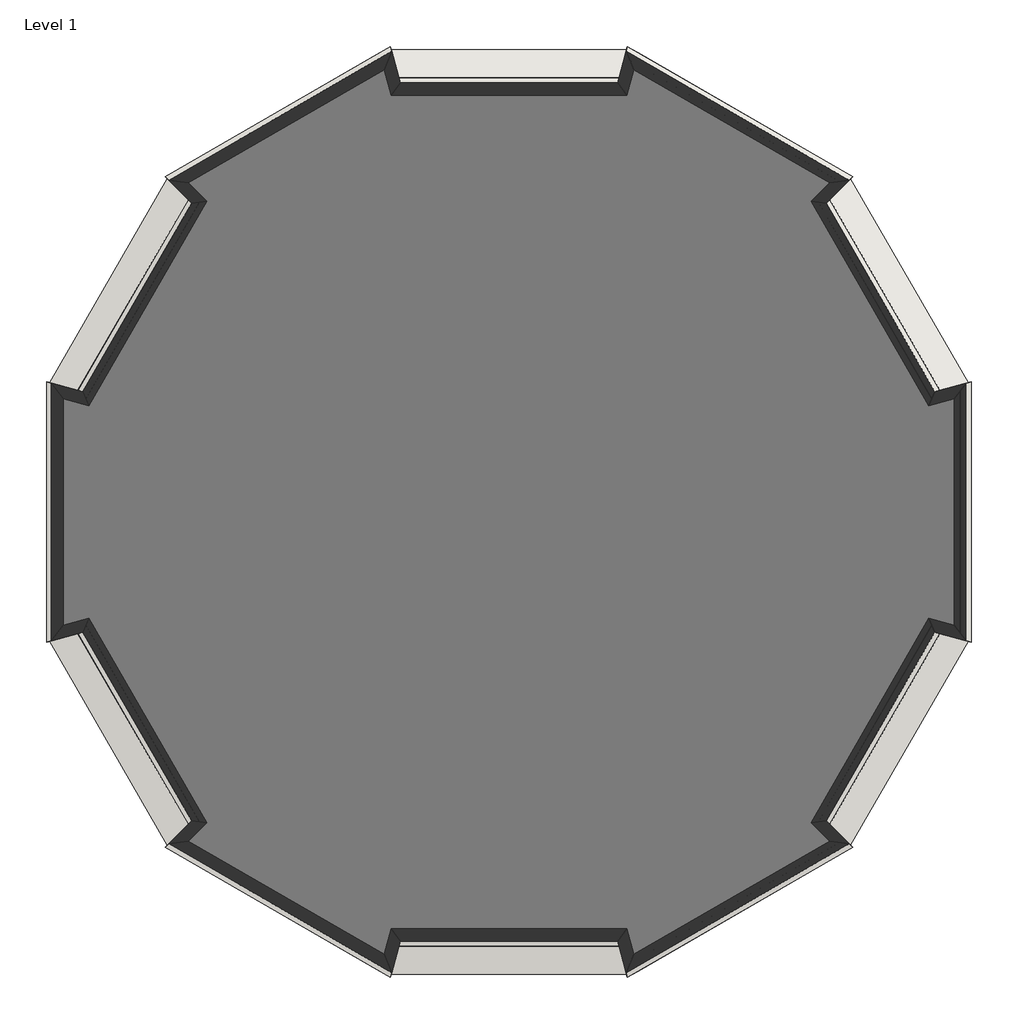
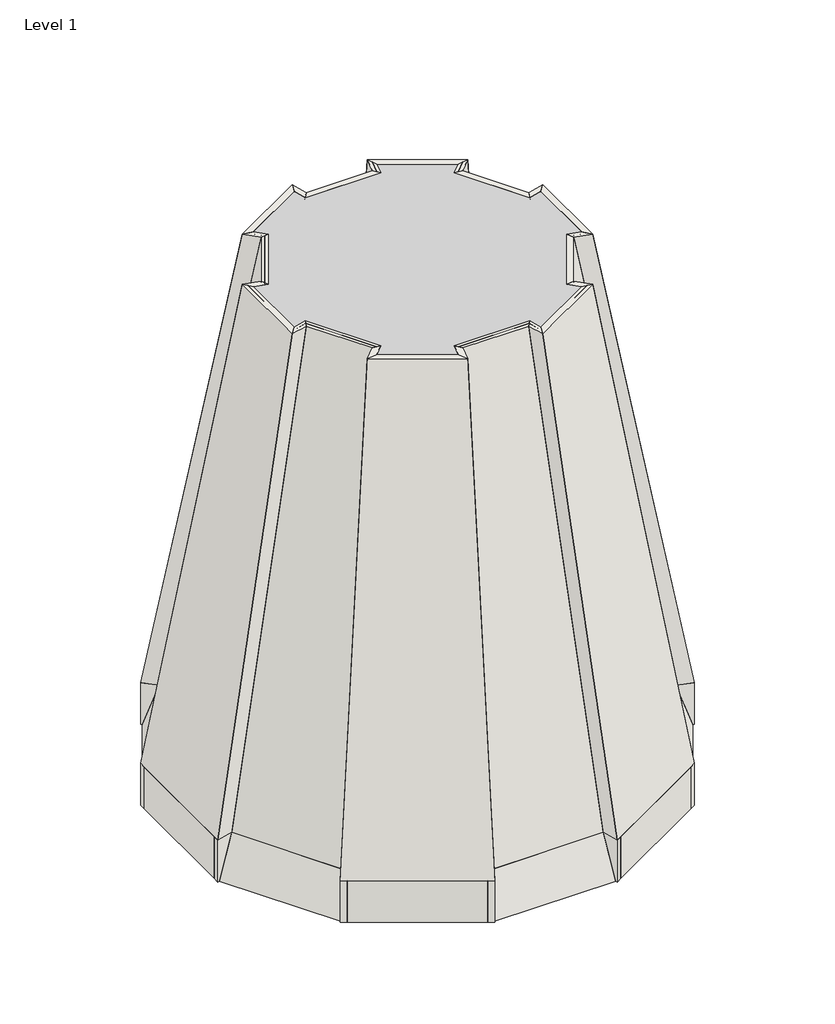
# One storey: 48 walls, 1 proxy.
"""IFC4 building model written with IfcOpenShell, lengths in millimetres."""

from ifc_helpers import new_model, si_unit, origin, place, context, project, spatial, faceted_brep, element, save

model = new_model("IFC4")

# Units and contexts
model_context = context("Model", 3, world=origin())
ifc_project = project(units=[si_unit("LENGTHUNIT", "METRE", prefix="MILLI")], contexts=[model_context])

# Site, building, storey
site = spatial("IfcSite", under=ifc_project)
building = spatial("IfcBuilding", under=site)
storey = spatial("IfcBuildingStorey", under=building, Name="Level 1", Elevation=0.0)

# Proxy
placement = place(None, origin())
element("IfcBuildingElementProxy", 1, Name="Mass 1 : Mass 1", ObjectType="Mass 1 : Mass 1", at=placement, inside=storey, context=model_context, shape_type="Brep", body=[
    faceted_brep([(6135.3954822, 11559.7954073, 914.4), (6053.7245683, 11864.5954073, 914.4), (3790.3938116, 10557.8607857, 914.4), (4013.5228978, 10334.7316995, 914.4), (2788.45919, 8212.8591151, 914.4), (2483.65919, 8294.530029, 914.4), (2483.65919, 5681.0607857, 914.4), (2788.45919, 5762.7316995, 914.4), (4013.5228978, 3640.8591151, 914.4), (3790.3938116, 3417.730029, 914.4), (6053.7245683, 2110.9954073, 914.4), (6135.3954822, 2415.7954073, 914.4), (8585.5228978, 2415.7954073, 914.4), (8667.1938116, 2110.9954073, 914.4), (10930.5245683, 3417.730029, 914.4), (10707.3954822, 3640.8591151, 914.4), (11932.45919, 5762.7316995, 914.4), (12237.25919, 5681.0607857, 914.4), (12237.25919, 8294.530029, 914.4), (11932.45919, 8212.8591151, 914.4), (10707.3954822, 10334.7316995, 914.4), (10930.5245683, 10557.8607857, 914.4), (8667.1938116, 11864.5954073, 914.4), (8585.5228978, 11559.7954073, 914.4), (6054.575307, 11861.4204073, 0.0), (8666.343073, 11861.4204073, 0.0), (8667.1938116, 11864.5954073, 0.0), (10930.5245683, 10557.8607857, 0.0), (10928.200307, 10555.5365244, 0.0), (12234.08419, 8293.6792903, 0.0), (12237.25919, 8294.530029, 0.0), (12237.25919, 5681.0607857, 0.0), (12234.08419, 5681.9115244, 0.0), (10928.200307, 3420.0542903, 0.0), (10930.5245683, 3417.730029, 0.0), (8667.1938116, 2110.9954073, 0.0), (8666.343073, 2114.1704073, 0.0), (6054.575307, 2114.1704073, 0.0), (6053.7245683, 2110.9954073, 0.0), (3790.3938116, 3417.730029, 0.0), (3792.718073, 3420.0542903, 0.0), (2486.83419, 5681.9115244, 0.0), (2483.65919, 5681.0607857, 0.0), (2483.65919, 8294.530029, 0.0), (2486.83419, 8293.6792903, 0.0), (3792.718073, 10555.5365244, 0.0), (3790.3938116, 10557.8607857, 0.0), (6053.7245683, 11864.5954073, 0.0)], [[[0, 1, 2, 3, 4, 5, 6, 7, 8, 9, 10, 11, 12, 13, 14, 15, 16, 17, 18, 19, 20, 21, 22, 23]], [[24, 25, 26, 27, 28, 29, 30, 31, 32, 33, 34, 35, 36, 37, 38, 39, 40, 41, 42, 43, 44, 45, 46, 47]], [[24, 47, 1, 0]], [[47, 46, 2, 1]], [[46, 45, 3, 2]], [[45, 44, 4, 3]], [[44, 43, 5, 4]], [[43, 42, 6, 5]], [[42, 41, 7, 6]], [[41, 40, 8, 7]], [[40, 39, 9, 8]], [[39, 38, 10, 9]], [[38, 37, 11, 10]], [[37, 36, 12, 11]], [[36, 35, 13, 12]], [[35, 34, 14, 13]], [[34, 33, 15, 14]], [[33, 32, 16, 15]], [[32, 31, 17, 16]], [[31, 30, 18, 17]], [[30, 29, 19, 18]], [[29, 28, 20, 19]], [[28, 27, 21, 20]], [[27, 26, 22, 21]], [[26, 25, 23, 22]], [[25, 24, 0, 23]]]),
    faceted_brep([(4617.25919, 7722.833632, 11080.0711654), (4312.45919, 7804.5045458, 11080.0711654), (4312.45919, 6171.0862688, 11080.0711654), (4617.25919, 6252.7571826, 11080.0711654), (5352.2974147, 4979.633632, 11080.0711654), (5129.1683285, 4756.5045458, 11080.0711654), (6543.7500515, 3939.7954073, 11080.0711654), (6625.4209653, 4244.5954073, 11080.0711654), (8095.4974147, 4244.5954073, 11080.0711654), (8177.1683285, 3939.7954073, 11080.0711654), (9591.7500515, 4756.5045458, 11080.0711654), (9368.6209653, 4979.633632, 11080.0711654), (10103.65919, 6252.7571826, 11080.0711654), (10408.45919, 6171.0862688, 11080.0711654), (10408.45919, 7804.5045458, 11080.0711654), (10103.65919, 7722.833632, 11080.0711654), (9368.6209653, 8995.9571826, 11080.0711654), (9591.7500515, 9219.0862688, 11080.0711654), (8177.1683285, 10035.7954073, 11080.0711654), (8095.4974147, 9730.9954073, 11080.0711654), (6625.4209653, 9730.9954073, 11080.0711654), (6543.7500515, 10035.7954073, 11080.0711654), (5129.1683285, 9219.0862688, 11080.0711654), (5352.2974147, 8995.9571826, 11080.0711654), (2788.45919, 8212.8591151, 914.4), (4013.5228978, 10334.7316995, 914.4), (3790.3938116, 10557.8607857, 914.4), (6053.7245683, 11864.5954073, 914.4), (6135.3954822, 11559.7954073, 914.4), (8585.5228978, 11559.7954073, 914.4), (8667.1938116, 11864.5954073, 914.4), (10930.5245683, 10557.8607857, 914.4), (10707.3954822, 10334.7316995, 914.4), (11932.45919, 8212.8591151, 914.4), (12237.25919, 8294.530029, 914.4), (12237.25919, 5681.0607857, 914.4), (11932.45919, 5762.7316995, 914.4), (10707.3954822, 3640.8591151, 914.4), (10930.5245683, 3417.730029, 914.4), (8667.1938116, 2110.9954073, 914.4), (8585.5228978, 2415.7954073, 914.4), (6135.3954822, 2415.7954073, 914.4), (6053.7245683, 2110.9954073, 914.4), (3790.3938116, 3417.730029, 914.4), (4013.5228978, 3640.8591151, 914.4), (2788.45919, 5762.7316995, 914.4), (2483.65919, 5681.0607857, 914.4), (2483.65919, 8294.530029, 914.4)], [[[0, 1, 2, 3, 4, 5, 6, 7, 8, 9, 10, 11, 12, 13, 14, 15, 16, 17, 18, 19, 20, 21, 22, 23]], [[24, 25, 26, 27, 28, 29, 30, 31, 32, 33, 34, 35, 36, 37, 38, 39, 40, 41, 42, 43, 44, 45, 46, 47]], [[24, 47, 1, 0]], [[47, 46, 2, 1]], [[46, 45, 3, 2]], [[45, 44, 4, 3]], [[44, 43, 5, 4]], [[43, 42, 6, 5]], [[42, 41, 7, 6]], [[41, 40, 8, 7]], [[40, 39, 9, 8]], [[39, 38, 10, 9]], [[38, 37, 11, 10]], [[37, 36, 12, 11]], [[36, 35, 13, 12]], [[35, 34, 14, 13]], [[34, 33, 15, 14]], [[33, 32, 16, 15]], [[32, 31, 17, 16]], [[31, 30, 18, 17]], [[30, 29, 19, 18]], [[29, 28, 20, 19]], [[28, 27, 21, 20]], [[27, 26, 22, 21]], [[26, 25, 23, 22]], [[25, 24, 0, 23]]]),
])

# Walls
element("IfcWall", 2, ObjectType="Generic - 5\"", at=placement, inside=storey, context=model_context, shape_type="Brep", body=[
    faceted_brep([(6093.6423371, 11960.965426, 0.0), (6093.6423371, 11960.965426, 914.4), (6183.2189682, 11626.6608878, 914.4), (6102.398793, 11928.2858878, 0.0), (5979.7772521, 11895.2253886, 0.0), (6006.7518211, 11794.5549268, 0.0), (6087.5719962, 11492.9299268, 914.4), (6013.8067996, 11768.2253886, 914.4), (5979.7772521, 11895.2253886, 914.4)], [[[0, 1, 2, 3]], [[4, 5, 6, 7, 8]], [[2, 1, 8, 7, 6]], [[0, 3, 5, 4]], [[1, 0, 4, 8]], [[3, 2, 6, 5]]]),
])
element("IfcWall", 3, ObjectType="Generic - 5\"", at=placement, inside=storey, context=model_context, shape_type="Brep", body=[
    faceted_brep([(5979.7772521, 11895.2253886, 0.0), (3800.8411278, 10637.2160307, 0.0), (3800.8411278, 10637.2160307, 914.4), (5979.7772521, 11895.2253886, 914.4), (6013.8067996, 11768.2253886, 0.0), (6013.8067996, 11768.2253886, 914.4), (3893.8115804, 10544.2455781, 914.4), (3893.8115804, 10544.2455781, 0.0), (6006.7518211, 11794.5549268, 0.0), (3874.5370207, 10563.5201379, 0.0)], [[[0, 1, 2, 3]], [[4, 5, 6, 7]], [[1, 0, 8, 4, 7, 9]], [[3, 2, 6, 5]], [[0, 3, 5, 4, 8]], [[2, 1, 9, 7, 6]]]),
])
element("IfcWall", 4, ObjectType="Generic - 5\"", at=placement, inside=storey, context=model_context, shape_type="Brep", body=[
    faceted_brep([(3710.8991252, 10547.5529109, 0.0), (3931.7039501, 10326.748086, 914.4), (3686.9760429, 10571.4759932, 914.4), (3686.9760429, 10571.4759932, 0.0), (3874.5370207, 10563.5201379, 0.0), (3800.8411278, 10637.2160307, 0.0), (3800.8411278, 10637.2160307, 914.4), (3893.8115804, 10544.2455781, 914.4), (4095.3418455, 10342.715313, 914.4)], [[[0, 1, 2, 3]], [[4, 5, 6, 7, 8]], [[2, 1, 8, 7, 6]], [[0, 3, 5, 4]], [[3, 2, 6, 5]], [[1, 0, 4, 8]]]),
])
element("IfcWall", 5, ObjectType="Generic - 5\"", at=placement, inside=storey, context=model_context, shape_type="Brep", body=[
    faceted_brep([(2420.15919, 8377.2848401, 0.0), (2420.15919, 8377.2848401, 914.4), (2754.4637282, 8287.7082091, 914.4), (2452.8387282, 8368.5283843, 0.0), (2420.15919, 8245.8047652, 0.0), (2520.8296517, 8218.8301963, 0.0), (2822.4546517, 8138.0100211, 914.4), (2547.15919, 8211.7752178, 914.4), (2420.15919, 8245.8047652, 914.4)], [[[0, 1, 2, 3]], [[4, 5, 6, 7, 8]], [[2, 1, 8, 7, 6]], [[0, 3, 5, 4]], [[1, 0, 4, 8]], [[3, 2, 6, 5]]]),
])
element("IfcWall", 6, ObjectType="Generic - 5\"", at=placement, inside=storey, context=model_context, shape_type="Brep", body=[
    faceted_brep([(2420.15919, 8245.8047652, 0.0), (2420.15919, 5729.7860494, 0.0), (2420.15919, 5729.7860494, 914.4), (2420.15919, 8245.8047652, 914.4), (2547.15919, 8211.7752178, 0.0), (2547.15919, 8211.7752178, 914.4), (2547.15919, 5763.8155968, 914.4), (2547.15919, 5763.8155968, 0.0), (2520.8296517, 8218.8301963, 0.0), (2520.8296517, 5756.7606183, 0.0)], [[[0, 1, 2, 3]], [[4, 5, 6, 7]], [[1, 0, 8, 4, 7, 9]], [[3, 2, 6, 5]], [[0, 3, 5, 4, 8]], [[2, 1, 9, 7, 6]]]),
])
element("IfcWall", 7, ObjectType="Generic - 5\"", at=placement, inside=storey, context=model_context, shape_type="Brep", body=[
    faceted_brep([(2452.8387282, 5607.0624304, 0.0), (2754.4637282, 5687.8826055, 914.4), (2420.15919, 5598.3059745, 914.4), (2420.15919, 5598.3059745, 0.0), (2520.8296517, 5756.7606183, 0.0), (2420.15919, 5729.7860494, 0.0), (2420.15919, 5729.7860494, 914.4), (2547.15919, 5763.8155968, 914.4), (2822.4546517, 5837.5807935, 914.4)], [[[0, 1, 2, 3]], [[4, 5, 6, 7, 8]], [[2, 1, 8, 7, 6]], [[0, 3, 5, 4]], [[3, 2, 6, 5]], [[1, 0, 4, 8]]]),
])
element("IfcWall", 8, ObjectType="Generic - 5\"", at=placement, inside=storey, context=model_context, shape_type="Brep", body=[
    faceted_brep([(3686.9760429, 3404.1148214, 0.0), (3686.9760429, 3404.1148214, 914.4), (3931.7039501, 3648.8427286, 914.4), (3710.8991252, 3428.0379038, 0.0), (3800.8411278, 3338.374784, 0.0), (3874.5370207, 3412.0706768, 0.0), (4095.3418455, 3632.8755016, 914.4), (3893.8115804, 3431.3452365, 914.4), (3800.8411278, 3338.374784, 914.4)], [[[0, 1, 2, 3]], [[4, 5, 6, 7, 8]], [[2, 1, 8, 7, 6]], [[0, 3, 5, 4]], [[1, 0, 4, 8]], [[3, 2, 6, 5]]]),
])
element("IfcWall", 9, ObjectType="Generic - 5\"", at=placement, inside=storey, context=model_context, shape_type="Brep", body=[
    faceted_brep([(3800.8411278, 3338.374784, 0.0), (5979.7772521, 2080.365426, 0.0), (5979.7772521, 2080.365426, 914.4), (3800.8411278, 3338.374784, 914.4), (3893.8115804, 3431.3452365, 0.0), (3893.8115804, 3431.3452365, 914.4), (6013.8067996, 2207.365426, 914.4), (6013.8067996, 2207.365426, 0.0), (3874.5370207, 3412.0706768, 0.0), (6006.7518211, 2181.0358878, 0.0)], [[[0, 1, 2, 3]], [[4, 5, 6, 7]], [[1, 0, 8, 4, 7, 9]], [[3, 2, 6, 5]], [[0, 3, 5, 4, 8]], [[2, 1, 9, 7, 6]]]),
])
element("IfcWall", 10, ObjectType="Generic - 5\"", at=placement, inside=storey, context=model_context, shape_type="Brep", body=[
    faceted_brep([(6102.398793, 2047.3049268, 0.0), (6183.2189682, 2348.9299268, 914.4), (6093.6423371, 2014.6253886, 914.4), (6093.6423371, 2014.6253886, 0.0), (6006.7518211, 2181.0358878, 0.0), (5979.7772521, 2080.365426, 0.0), (5979.7772521, 2080.365426, 914.4), (6013.8067996, 2207.365426, 914.4), (6087.5719962, 2482.6608878, 914.4)], [[[0, 1, 2, 3]], [[4, 5, 6, 7, 8]], [[2, 1, 8, 7, 6]], [[0, 3, 5, 4]], [[3, 2, 6, 5]], [[1, 0, 4, 8]]]),
])
element("IfcWall", 11, ObjectType="Generic - 5\"", at=placement, inside=storey, context=model_context, shape_type="Brep", body=[
    faceted_brep([(8627.2760429, 2014.6253886, 0.0), (8627.2760429, 2014.6253886, 914.4), (8537.6994118, 2348.9299268, 914.4), (8618.519587, 2047.3049268, 0.0), (8741.1411278, 2080.365426, 0.0), (8714.1665589, 2181.0358878, 0.0), (8633.3463837, 2482.6608878, 914.4), (8707.1115804, 2207.365426, 914.4), (8741.1411278, 2080.365426, 914.4)], [[[0, 1, 2, 3]], [[4, 5, 6, 7, 8]], [[2, 1, 8, 7, 6]], [[0, 3, 5, 4]], [[1, 0, 4, 8]], [[3, 2, 6, 5]]]),
])
element("IfcWall", 12, ObjectType="Generic - 5\"", at=placement, inside=storey, context=model_context, shape_type="Brep", body=[
    faceted_brep([(8741.1411278, 2080.365426, 0.0), (10920.0772521, 3338.374784, 0.0), (10920.0772521, 3338.374784, 914.4), (8741.1411278, 2080.365426, 914.4), (8707.1115804, 2207.365426, 0.0), (8707.1115804, 2207.365426, 914.4), (10827.1067996, 3431.3452365, 914.4), (10827.1067996, 3431.3452365, 0.0), (8714.1665589, 2181.0358878, 0.0), (10846.3813593, 3412.0706768, 0.0)], [[[0, 1, 2, 3]], [[4, 5, 6, 7]], [[1, 0, 8, 4, 7, 9]], [[3, 2, 6, 5]], [[0, 3, 5, 4, 8]], [[2, 1, 9, 7, 6]]]),
])
element("IfcWall", 13, ObjectType="Generic - 5\"", at=placement, inside=storey, context=model_context, shape_type="Brep", body=[
    faceted_brep([(11010.0192547, 3428.0379038, 0.0), (10789.2144299, 3648.8427286, 914.4), (11033.9423371, 3404.1148214, 914.4), (11033.9423371, 3404.1148214, 0.0), (10846.3813593, 3412.0706768, 0.0), (10920.0772521, 3338.374784, 0.0), (10920.0772521, 3338.374784, 914.4), (10827.1067996, 3431.3452365, 914.4), (10625.5765345, 3632.8755016, 914.4)], [[[0, 1, 2, 3]], [[4, 5, 6, 7, 8]], [[2, 1, 8, 7, 6]], [[0, 3, 5, 4]], [[3, 2, 6, 5]], [[1, 0, 4, 8]]]),
])
element("IfcWall", 14, ObjectType="Generic - 5\"", at=placement, inside=storey, context=model_context, shape_type="Brep", body=[
    faceted_brep([(12300.75919, 5598.3059745, 0.0), (12300.75919, 5598.3059745, 914.4), (11966.4546517, 5687.8826055, 914.4), (12268.0796517, 5607.0624304, 0.0), (12300.75919, 5729.7860494, 0.0), (12200.0887282, 5756.7606183, 0.0), (11898.4637282, 5837.5807935, 914.4), (12173.75919, 5763.8155968, 914.4), (12300.75919, 5729.7860494, 914.4)], [[[0, 1, 2, 3]], [[4, 5, 6, 7, 8]], [[2, 1, 8, 7, 6]], [[0, 3, 5, 4]], [[1, 0, 4, 8]], [[3, 2, 6, 5]]]),
])
element("IfcWall", 15, ObjectType="Generic - 5\"", at=placement, inside=storey, context=model_context, shape_type="Brep", body=[
    faceted_brep([(12300.75919, 5729.7860494, 0.0), (12300.75919, 8245.8047652, 0.0), (12300.75919, 8245.8047652, 914.4), (12300.75919, 5729.7860494, 914.4), (12173.75919, 5763.8155968, 0.0), (12173.75919, 5763.8155968, 914.4), (12173.75919, 8211.7752178, 914.4), (12173.75919, 8211.7752178, 0.0), (12200.0887282, 5756.7606183, 0.0), (12200.0887282, 8218.8301963, 0.0)], [[[0, 1, 2, 3]], [[4, 5, 6, 7]], [[1, 0, 8, 4, 7, 9]], [[3, 2, 6, 5]], [[0, 3, 5, 4, 8]], [[2, 1, 9, 7, 6]]]),
])
element("IfcWall", 16, ObjectType="Generic - 5\"", at=placement, inside=storey, context=model_context, shape_type="Brep", body=[
    faceted_brep([(12268.0796517, 8368.5283843, 0.0), (11966.4546517, 8287.7082091, 914.4), (12300.75919, 8377.2848401, 914.4), (12300.75919, 8377.2848401, 0.0), (12200.0887282, 8218.8301963, 0.0), (12300.75919, 8245.8047652, 0.0), (12300.75919, 8245.8047652, 914.4), (12173.75919, 8211.7752178, 914.4), (11898.4637282, 8138.0100211, 914.4)], [[[0, 1, 2, 3]], [[4, 5, 6, 7, 8]], [[2, 1, 8, 7, 6]], [[0, 3, 5, 4]], [[3, 2, 6, 5]], [[1, 0, 4, 8]]]),
])
element("IfcWall", 17, ObjectType="Generic - 5\"", at=placement, inside=storey, context=model_context, shape_type="Brep", body=[
    faceted_brep([(11033.9423371, 10571.4759932, 0.0), (11033.9423371, 10571.4759932, 914.4), (10789.2144299, 10326.748086, 914.4), (11010.0192547, 10547.5529109, 0.0), (10920.0772521, 10637.2160307, 0.0), (10846.3813593, 10563.5201379, 0.0), (10625.5765345, 10342.715313, 914.4), (10827.1067996, 10544.2455781, 914.4), (10920.0772521, 10637.2160307, 914.4)], [[[0, 1, 2, 3]], [[4, 5, 6, 7, 8]], [[2, 1, 8, 7, 6]], [[0, 3, 5, 4]], [[1, 0, 4, 8]], [[3, 2, 6, 5]]]),
])
element("IfcWall", 18, ObjectType="Generic - 5\"", at=placement, inside=storey, context=model_context, shape_type="Brep", body=[
    faceted_brep([(10920.0772521, 10637.2160307, 0.0), (8741.1411278, 11895.2253886, 0.0), (8741.1411278, 11895.2253886, 914.4), (10920.0772521, 10637.2160307, 914.4), (10827.1067996, 10544.2455781, 0.0), (10827.1067996, 10544.2455781, 914.4), (8707.1115804, 11768.2253886, 914.4), (8707.1115804, 11768.2253886, 0.0), (10846.3813593, 10563.5201379, 0.0), (8714.1665589, 11794.5549268, 0.0)], [[[0, 1, 2, 3]], [[4, 5, 6, 7]], [[1, 0, 8, 4, 7, 9]], [[3, 2, 6, 5]], [[0, 3, 5, 4, 8]], [[2, 1, 9, 7, 6]]]),
])
element("IfcWall", 19, ObjectType="Generic - 5\"", at=placement, inside=storey, context=model_context, shape_type="Brep", body=[
    faceted_brep([(8618.519587, 11928.2858878, 0.0), (8537.6994118, 11626.6608878, 914.4), (8627.2760429, 11960.965426, 914.4), (8627.2760429, 11960.965426, 0.0), (8714.1665589, 11794.5549268, 0.0), (8741.1411278, 11895.2253886, 0.0), (8741.1411278, 11895.2253886, 914.4), (8707.1115804, 11768.2253886, 914.4), (8633.3463837, 11492.9299268, 914.4)], [[[0, 1, 2, 3]], [[4, 5, 6, 7, 8]], [[2, 1, 8, 7, 6]], [[0, 3, 5, 4]], [[3, 2, 6, 5]], [[1, 0, 4, 8]]]),
])
element("IfcWall", 20, ObjectType="Generic - 5\"", at=placement, inside=storey, context=model_context, shape_type="Brep", body=[
    faceted_brep([(2419.1398195, 8377.5579796, 914.4), (4247.9398195, 7887.5324965, 11080.0711654), (4585.6098382, 7797.0540877, 11080.0711654), (2756.8098382, 8287.0795708, 914.4), (2548.1785605, 8211.5020783, 914.4), (2820.1085418, 8138.6386594, 914.4), (4648.9085418, 7648.6131763, 11080.0711654), (4376.9785605, 7721.4765952, 11080.0711654)], [[[0, 1, 2, 3]], [[4, 5, 6, 7]], [[2, 1, 7, 6]], [[0, 3, 5, 4]], [[1, 0, 4, 7]], [[3, 2, 6, 5]]]),
])
element("IfcWall", 21, ObjectType="Generic - 5\"", at=placement, inside=storey, context=model_context, shape_type="Brep", body=[
    faceted_brep([(2756.8098382, 5688.5112438, 914.4), (4585.6098382, 6178.5367269, 11080.0711654), (4247.9398195, 6088.0583181, 11080.0711654), (2419.1398195, 5598.032835, 914.4), (2820.1085418, 5836.9521552, 914.4), (2548.1785605, 5764.0887364, 914.4), (4376.9785605, 6254.1142195, 11080.0711654), (4648.9085418, 6326.9776383, 11080.0711654)], [[[0, 1, 2, 3]], [[4, 5, 6, 7]], [[2, 1, 7, 6]], [[0, 3, 5, 4]], [[1, 0, 4, 7]], [[3, 2, 6, 5]]]),
])
element("IfcWall", 22, ObjectType="Generic - 5\"", at=placement, inside=storey, context=model_context, shape_type="Brep", body=[
    faceted_brep([(3686.2298119, 3403.3685904, 914.4), (5025.0043287, 4742.1431073, 11080.0711654), (5272.1959386, 4989.3347172, 11080.0711654), (3933.4214218, 3650.5602003, 914.4), (3894.5578114, 3432.0914675, 914.4), (4093.6243738, 3631.1580299, 914.4), (5432.3988907, 4969.9325468, 11080.0711654), (5233.3323283, 4770.8659844, 11080.0711654)], [[[0, 1, 2, 3]], [[4, 5, 6, 7]], [[2, 1, 7, 6]], [[0, 3, 5, 4]], [[3, 2, 6, 5]], [[1, 0, 4, 7]]]),
])
element("IfcWall", 23, ObjectType="Generic - 5\"", at=placement, inside=storey, context=model_context, shape_type="Brep", body=[
    faceted_brep([(6183.8476064, 2351.2760368, 914.4), (6673.8730895, 4180.0760368, 11080.0711654), (6583.3946807, 3842.4060181, 11080.0711654), (6093.3691976, 2013.6060181, 914.4), (6086.943358, 2480.3147778, 914.4), (6014.0799391, 2208.3847966, 914.4), (6504.1054222, 4037.1847966, 11080.0711654), (6576.9688411, 4309.1147778, 11080.0711654)], [[[0, 1, 2, 3]], [[4, 5, 6, 7]], [[2, 1, 7, 6]], [[0, 3, 5, 4]], [[1, 0, 4, 7]], [[3, 2, 6, 5]]]),
])
element("IfcWall", 24, ObjectType="Generic - 5\"", at=placement, inside=storey, context=model_context, shape_type="Brep", body=[
    faceted_brep([(8627.5491824, 2013.6060181, 914.4), (8137.5236993, 3842.4060181, 11080.0711654), (8047.0452904, 4180.0760368, 11080.0711654), (8537.0707736, 2351.2760368, 914.4), (8706.8384409, 2208.3847966, 914.4), (8633.975022, 2480.3147778, 914.4), (8143.9495389, 4309.1147778, 11080.0711654), (8216.8129578, 4037.1847966, 11080.0711654)], [[[0, 1, 2, 3]], [[4, 5, 6, 7]], [[2, 1, 7, 6]], [[0, 3, 5, 4]], [[1, 0, 4, 7]], [[3, 2, 6, 5]]]),
])
element("IfcWall", 25, ObjectType="Generic - 5\"", at=placement, inside=storey, context=model_context, shape_type="Brep", body=[
    faceted_brep([(10787.4969582, 3650.5602003, 914.4), (9448.7224413, 4989.3347172, 11080.0711654), (9695.9140512, 4742.1431073, 11080.0711654), (11034.6885681, 3403.3685904, 914.4), (10627.2940062, 3631.1580299, 914.4), (10826.3605686, 3432.0914675, 914.4), (9487.5860517, 4770.8659844, 11080.0711654), (9288.5194893, 4969.9325468, 11080.0711654)], [[[0, 1, 2, 3]], [[4, 5, 6, 7]], [[2, 1, 7, 6]], [[0, 3, 5, 4]], [[1, 0, 4, 7]], [[3, 2, 6, 5]]]),
])
element("IfcWall", 26, ObjectType="Generic - 5\"", at=placement, inside=storey, context=model_context, shape_type="Brep", body=[
    faceted_brep([(12301.7785605, 5598.032835, 914.4), (10472.9785605, 6088.0583181, 11080.0711654), (10135.3085418, 6178.5367269, 11080.0711654), (11964.1085418, 5688.5112438, 914.4), (12172.7398195, 5764.0887364, 914.4), (11900.8098382, 5836.9521552, 914.4), (10072.0098382, 6326.9776383, 11080.0711654), (10343.9398195, 6254.1142195, 11080.0711654)], [[[0, 1, 2, 3]], [[4, 5, 6, 7]], [[2, 1, 7, 6]], [[0, 3, 5, 4]], [[3, 2, 6, 5]], [[1, 0, 4, 7]]]),
])
element("IfcWall", 27, ObjectType="Generic - 5\"", at=placement, inside=storey, context=model_context, shape_type="Brep", body=[
    faceted_brep([(11964.1085418, 8287.0795708, 914.4), (10135.3085418, 7797.0540877, 11080.0711654), (10472.9785605, 7887.5324965, 11080.0711654), (12301.7785605, 8377.5579796, 914.4), (11900.8098382, 8138.6386594, 914.4), (12172.7398195, 8211.5020783, 914.4), (10343.9398195, 7721.4765952, 11080.0711654), (10072.0098382, 7648.6131763, 11080.0711654)], [[[0, 1, 2, 3]], [[4, 5, 6, 7]], [[2, 1, 7, 6]], [[0, 3, 5, 4]], [[3, 2, 6, 5]], [[1, 0, 4, 7]]]),
])
element("IfcWall", 28, ObjectType="Generic - 5\"", at=placement, inside=storey, context=model_context, shape_type="Brep", body=[
    faceted_brep([(11034.6885681, 10572.2222242, 914.4), (9695.9140512, 9233.4477074, 11080.0711654), (9448.7224413, 8986.2560975, 11080.0711654), (10787.4969582, 10325.0306143, 914.4), (10826.3605686, 10543.4993471, 914.4), (10627.2940062, 10344.4327847, 914.4), (9288.5194893, 9005.6582678, 11080.0711654), (9487.5860517, 9204.7248302, 11080.0711654)], [[[0, 1, 2, 3]], [[4, 5, 6, 7]], [[2, 1, 7, 6]], [[0, 3, 5, 4]], [[3, 2, 6, 5]], [[1, 0, 4, 7]]]),
])
element("IfcWall", 29, ObjectType="Generic - 5\"", at=placement, inside=storey, context=model_context, shape_type="Brep", body=[
    faceted_brep([(8537.0707736, 11624.3147778, 914.4), (8047.0452904, 9795.5147778, 11080.0711654), (8137.5236993, 10133.1847966, 11080.0711654), (8627.5491824, 11961.9847966, 914.4), (8633.975022, 11495.2760368, 914.4), (8706.8384409, 11767.2060181, 914.4), (8216.8129578, 9938.4060181, 11080.0711654), (8143.9495389, 9666.4760368, 11080.0711654)], [[[0, 1, 2, 3]], [[4, 5, 6, 7]], [[2, 1, 7, 6]], [[0, 3, 5, 4]], [[3, 2, 6, 5]], [[1, 0, 4, 7]]]),
])
element("IfcWall", 30, ObjectType="Generic - 5\"", at=placement, inside=storey, context=model_context, shape_type="Brep", body=[
    faceted_brep([(6093.3691976, 11961.9847966, 914.4), (6583.3946807, 10133.1847966, 11080.0711654), (6673.8730895, 9795.5147778, 11080.0711654), (6183.8476064, 11624.3147778, 914.4), (6014.0799391, 11767.2060181, 914.4), (6086.943358, 11495.2760368, 914.4), (6576.9688411, 9666.4760368, 11080.0711654), (6504.1054222, 9938.4060181, 11080.0711654)], [[[0, 1, 2, 3]], [[4, 5, 6, 7]], [[2, 1, 7, 6]], [[0, 3, 5, 4]], [[1, 0, 4, 7]], [[3, 2, 6, 5]]]),
])
element("IfcWall", 31, ObjectType="Generic - 5\"", at=placement, inside=storey, context=model_context, shape_type="Brep", body=[
    faceted_brep([(3933.4214218, 10325.0306143, 914.4), (5272.1959386, 8986.2560975, 11080.0711654), (5025.0043287, 9233.4477074, 11080.0711654), (3686.2298119, 10572.2222242, 914.4), (4093.6243738, 10344.4327847, 914.4), (3894.5578114, 10543.4993471, 914.4), (5233.3323283, 9204.7248302, 11080.0711654), (5432.3988907, 9005.6582678, 11080.0711654)], [[[0, 1, 2, 3]], [[4, 5, 6, 7]], [[2, 1, 7, 6]], [[0, 3, 5, 4]], [[1, 0, 4, 7]], [[3, 2, 6, 5]]]),
])
element("IfcWall", 32, ObjectType="Generic - 5\"", at=placement, inside=storey, context=model_context, shape_type="Brep", body=[
    faceted_brep([(10846.3813593, 3412.0706768, 0.0), (10625.5765345, 3632.8755016, 914.4), (11898.4637282, 5837.5807935, 914.4), (12200.0887282, 5756.7606183, 0.0), (11010.0192547, 3428.0379038, 0.0), (12268.0796517, 5607.0624304, 0.0), (11966.4546517, 5687.8826055, 914.4), (10789.2144299, 3648.8427286, 914.4)], [[[0, 1, 2, 3]], [[4, 5, 6, 7]], [[5, 4, 0, 3]], [[7, 6, 2, 1]], [[4, 7, 1, 0]], [[6, 5, 3, 2]]]),
])
element("IfcWall", 33, ObjectType="Generic - 5\"", at=placement, inside=storey, context=model_context, shape_type="Brep", body=[
    faceted_brep([(10627.2940062, 3631.1580299, 914.4), (9288.5194893, 4969.9325468, 11080.0711654), (10072.0098382, 6326.9776383, 11080.0711654), (11900.8098382, 5836.9521552, 914.4), (10787.4969582, 3650.5602003, 914.4), (11964.1085418, 5688.5112438, 914.4), (10135.3085418, 6178.5367269, 11080.0711654), (9448.7224413, 4989.3347172, 11080.0711654)], [[[0, 1, 2, 3]], [[4, 5, 6, 7]], [[5, 4, 0, 3]], [[7, 6, 2, 1]], [[4, 7, 1, 0]], [[6, 5, 3, 2]]]),
])
element("IfcWall", 34, ObjectType="Generic - 5\"", at=placement, inside=storey, context=model_context, shape_type="Brep", body=[
    faceted_brep([(12172.7398195, 5764.0887364, 914.4), (10343.9398195, 6254.1142195, 11080.0711654), (10343.9398195, 7721.4765952, 11080.0711654), (12172.7398195, 8211.5020783, 914.4), (12301.7785605, 5598.032835, 914.4), (12301.7785605, 8377.5579796, 914.4), (10472.9785605, 7887.5324965, 11080.0711654), (10472.9785605, 6088.0583181, 11080.0711654)], [[[0, 1, 2, 3]], [[4, 5, 6, 7]], [[5, 4, 0, 3]], [[7, 6, 2, 1]], [[4, 7, 1, 0]], [[6, 5, 3, 2]]]),
])
element("IfcWall", 35, ObjectType="Generic - 5\"", at=placement, inside=storey, context=model_context, shape_type="Brep", body=[
    faceted_brep([(12200.0887282, 8218.8301963, 0.0), (11898.4637282, 8138.0100211, 914.4), (10625.5765345, 10342.715313, 914.4), (10846.3813593, 10563.5201379, 0.0), (12268.0796517, 8368.5283843, 0.0), (11010.0192547, 10547.5529109, 0.0), (10789.2144299, 10326.748086, 914.4), (11966.4546517, 8287.7082091, 914.4)], [[[0, 1, 2, 3]], [[4, 5, 6, 7]], [[5, 4, 0, 3]], [[7, 6, 2, 1]], [[4, 7, 1, 0]], [[6, 5, 3, 2]]]),
])
element("IfcWall", 36, ObjectType="Generic - 5\"", at=placement, inside=storey, context=model_context, shape_type="Brep", body=[
    faceted_brep([(11900.8098382, 8138.6386594, 914.4), (10072.0098382, 7648.6131763, 11080.0711654), (9288.5194893, 9005.6582678, 11080.0711654), (10627.2940062, 10344.4327847, 914.4), (11964.1085418, 8287.0795708, 914.4), (10787.4969582, 10325.0306143, 914.4), (9448.7224413, 8986.2560975, 11080.0711654), (10135.3085418, 7797.0540877, 11080.0711654)], [[[0, 1, 2, 3]], [[4, 5, 6, 7]], [[5, 4, 0, 3]], [[7, 6, 2, 1]], [[4, 7, 1, 0]], [[6, 5, 3, 2]]]),
])
element("IfcWall", 37, ObjectType="Generic - 5\"", at=placement, inside=storey, context=model_context, shape_type="Brep", body=[
    faceted_brep([(10826.3605686, 10543.4993471, 914.4), (9487.5860517, 9204.7248302, 11080.0711654), (8216.8129578, 9938.4060181, 11080.0711654), (8706.8384409, 11767.2060181, 914.4), (11034.6885681, 10572.2222242, 914.4), (8627.5491824, 11961.9847966, 914.4), (8137.5236993, 10133.1847966, 11080.0711654), (9695.9140512, 9233.4477074, 11080.0711654)], [[[0, 1, 2, 3]], [[4, 5, 6, 7]], [[5, 4, 0, 3]], [[7, 6, 2, 1]], [[4, 7, 1, 0]], [[6, 5, 3, 2]]]),
])
element("IfcWall", 38, ObjectType="Generic - 5\"", at=placement, inside=storey, context=model_context, shape_type="Brep", body=[
    faceted_brep([(8706.8384409, 2208.3847966, 914.4), (8216.8129578, 4037.1847966, 11080.0711654), (9487.5860517, 4770.8659844, 11080.0711654), (10826.3605686, 3432.0914675, 914.4), (8627.5491824, 2013.6060181, 914.4), (11034.6885681, 3403.3685904, 914.4), (9695.9140512, 4742.1431073, 11080.0711654), (8137.5236993, 3842.4060181, 11080.0711654)], [[[0, 1, 2, 3]], [[4, 5, 6, 7]], [[5, 4, 0, 3]], [[7, 6, 2, 1]], [[4, 7, 1, 0]], [[6, 5, 3, 2]]]),
])
element("IfcWall", 39, ObjectType="Generic - 5\"", at=placement, inside=storey, context=model_context, shape_type="Brep", body=[
    faceted_brep([(6006.7518211, 2181.0358878, 0.0), (6087.5719962, 2482.6608878, 914.4), (8633.3463837, 2482.6608878, 914.4), (8714.1665589, 2181.0358878, 0.0), (6102.398793, 2047.3049268, 0.0), (8618.519587, 2047.3049268, 0.0), (8537.6994118, 2348.9299268, 914.4), (6183.2189682, 2348.9299268, 914.4)], [[[0, 1, 2, 3]], [[4, 5, 6, 7]], [[5, 4, 0, 3]], [[7, 6, 2, 1]], [[4, 7, 1, 0]], [[6, 5, 3, 2]]]),
])
element("IfcWall", 40, ObjectType="Generic - 5\"", at=placement, inside=storey, context=model_context, shape_type="Brep", body=[
    faceted_brep([(6086.943358, 2480.3147778, 914.4), (6576.9688411, 4309.1147778, 11080.0711654), (8143.9495389, 4309.1147778, 11080.0711654), (8633.975022, 2480.3147778, 914.4), (6183.8476064, 2351.2760368, 914.4), (8537.0707736, 2351.2760368, 914.4), (8047.0452904, 4180.0760368, 11080.0711654), (6673.8730895, 4180.0760368, 11080.0711654)], [[[0, 1, 2, 3]], [[4, 5, 6, 7]], [[5, 4, 0, 3]], [[7, 6, 2, 1]], [[4, 7, 1, 0]], [[6, 5, 3, 2]]]),
])
element("IfcWall", 41, ObjectType="Generic - 5\"", at=placement, inside=storey, context=model_context, shape_type="Brep", body=[
    faceted_brep([(2820.1085418, 5836.9521552, 914.4), (4648.9085418, 6326.9776383, 11080.0711654), (5432.3988907, 4969.9325468, 11080.0711654), (4093.6243738, 3631.1580299, 914.4), (2756.8098382, 5688.5112438, 914.4), (3933.4214218, 3650.5602003, 914.4), (5272.1959386, 4989.3347172, 11080.0711654), (4585.6098382, 6178.5367269, 11080.0711654)], [[[0, 1, 2, 3]], [[4, 5, 6, 7]], [[5, 4, 0, 3]], [[7, 6, 2, 1]], [[4, 7, 1, 0]], [[6, 5, 3, 2]]]),
])
element("IfcWall", 42, ObjectType="Generic - 5\"", at=placement, inside=storey, context=model_context, shape_type="Brep", body=[
    faceted_brep([(2548.1785605, 8211.5020783, 914.4), (4376.9785605, 7721.4765952, 11080.0711654), (4376.9785605, 6254.1142195, 11080.0711654), (2548.1785605, 5764.0887364, 914.4), (2419.1398195, 8377.5579796, 914.4), (2419.1398195, 5598.032835, 914.4), (4247.9398195, 6088.0583181, 11080.0711654), (4247.9398195, 7887.5324965, 11080.0711654)], [[[0, 1, 2, 3]], [[4, 5, 6, 7]], [[5, 4, 0, 3]], [[7, 6, 2, 1]], [[4, 7, 1, 0]], [[6, 5, 3, 2]]]),
])
element("IfcWall", 43, ObjectType="Generic - 5\"", at=placement, inside=storey, context=model_context, shape_type="Brep", body=[
    faceted_brep([(4093.6243738, 10344.4327847, 914.4), (5432.3988907, 9005.6582678, 11080.0711654), (4648.9085418, 7648.6131763, 11080.0711654), (2820.1085418, 8138.6386594, 914.4), (3933.4214218, 10325.0306143, 914.4), (2756.8098382, 8287.0795708, 914.4), (4585.6098382, 7797.0540877, 11080.0711654), (5272.1959386, 8986.2560975, 11080.0711654)], [[[0, 1, 2, 3]], [[4, 5, 6, 7]], [[5, 4, 0, 3]], [[7, 6, 2, 1]], [[6, 5, 3, 2]], [[4, 7, 1, 0]]]),
])
element("IfcWall", 44, ObjectType="Generic - 5\"", at=placement, inside=storey, context=model_context, shape_type="Brep", body=[
    faceted_brep([(6014.0799391, 11767.2060181, 914.4), (6504.1054222, 9938.4060181, 11080.0711654), (5233.3323283, 9204.7248302, 11080.0711654), (3894.5578114, 10543.4993471, 914.4), (6093.3691976, 11961.9847966, 914.4), (3686.2298119, 10572.2222242, 914.4), (5025.0043287, 9233.4477074, 11080.0711654), (6583.3946807, 10133.1847966, 11080.0711654)], [[[0, 1, 2, 3]], [[4, 5, 6, 7]], [[5, 4, 0, 3]], [[7, 6, 2, 1]], [[4, 7, 1, 0]], [[6, 5, 3, 2]]]),
])
element("IfcWall", 45, ObjectType="Generic - 5\"", at=placement, inside=storey, context=model_context, shape_type="Brep", body=[
    faceted_brep([(3894.5578114, 3432.0914675, 914.4), (5233.3323283, 4770.8659844, 11080.0711654), (6504.1054222, 4037.1847966, 11080.0711654), (6014.0799391, 2208.3847966, 914.4), (3686.2298119, 3403.3685904, 914.4), (6093.3691976, 2013.6060181, 914.4), (6583.3946807, 3842.4060181, 11080.0711654), (5025.0043287, 4742.1431073, 11080.0711654)], [[[0, 1, 2, 3]], [[4, 5, 6, 7]], [[5, 4, 0, 3]], [[7, 6, 2, 1]], [[4, 7, 1, 0]], [[6, 5, 3, 2]]]),
])
element("IfcWall", 46, ObjectType="Generic - 5\"", at=placement, inside=storey, context=model_context, shape_type="Brep", body=[
    faceted_brep([(8714.1665589, 11794.5549268, 0.0), (8633.3463837, 11492.9299268, 914.4), (6087.5719962, 11492.9299268, 914.4), (6006.7518211, 11794.5549268, 0.0), (8618.519587, 11928.2858878, 0.0), (6102.398793, 11928.2858878, 0.0), (6183.2189682, 11626.6608878, 914.4), (8537.6994118, 11626.6608878, 914.4)], [[[0, 1, 2, 3]], [[4, 5, 6, 7]], [[5, 4, 0, 3]], [[7, 6, 2, 1]], [[6, 5, 3, 2]], [[4, 7, 1, 0]]]),
])
element("IfcWall", 47, ObjectType="Generic - 5\"", at=placement, inside=storey, context=model_context, shape_type="Brep", body=[
    faceted_brep([(8633.975022, 11495.2760368, 914.4), (8143.9495389, 9666.4760368, 11080.0711654), (6576.9688411, 9666.4760368, 11080.0711654), (6086.943358, 11495.2760368, 914.4), (8537.0707736, 11624.3147778, 914.4), (6183.8476064, 11624.3147778, 914.4), (6673.8730895, 9795.5147778, 11080.0711654), (8047.0452904, 9795.5147778, 11080.0711654)], [[[0, 1, 2, 3]], [[4, 5, 6, 7]], [[5, 4, 0, 3]], [[7, 6, 2, 1]], [[4, 7, 1, 0]], [[6, 5, 3, 2]]]),
])
element("IfcWall", 48, ObjectType="Generic - 5\"", at=placement, inside=storey, context=model_context, shape_type="Brep", body=[
    faceted_brep([(3874.5370207, 10563.5201379, 0.0), (4095.3418455, 10342.715313, 914.4), (2822.4546517, 8138.0100211, 914.4), (2520.8296517, 8218.8301963, 0.0), (3710.8991252, 10547.5529109, 0.0), (2452.8387282, 8368.5283843, 0.0), (2754.4637282, 8287.7082091, 914.4), (3931.7039501, 10326.748086, 914.4)], [[[0, 1, 2, 3]], [[4, 5, 6, 7]], [[5, 4, 0, 3]], [[7, 6, 2, 1]], [[4, 7, 1, 0]], [[6, 5, 3, 2]]]),
])
element("IfcWall", 49, ObjectType="Generic - 5\"", at=placement, inside=storey, context=model_context, shape_type="Brep", body=[
    faceted_brep([(2520.8296517, 5756.7606183, 0.0), (2822.4546517, 5837.5807935, 914.4), (4095.3418455, 3632.8755016, 914.4), (3874.5370207, 3412.0706768, 0.0), (2452.8387282, 5607.0624304, 0.0), (3710.8991252, 3428.0379038, 0.0), (3931.7039501, 3648.8427286, 914.4), (2754.4637282, 5687.8826055, 914.4)], [[[0, 1, 2, 3]], [[4, 5, 6, 7]], [[5, 4, 0, 3]], [[7, 6, 2, 1]], [[4, 7, 1, 0]], [[6, 5, 3, 2]]]),
])

save(model, "model.ifc")
